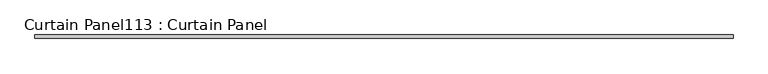
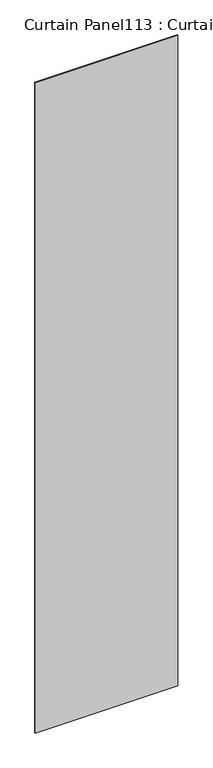
"""IFC4 building model written with IfcOpenShell, lengths in millimetres: plate geometry, Curtain Panel113 : Curtain Panel."""

from ifc_helpers import new_model, si_unit, frame, origin, place, context, project, spatial, polyline, outline, extrude, source, transform, mapped, element, save


def curtain_panel113_curtain_panel_ffac97e2(model_context):
    return source(origin(), model_context, "Body", "SweptSolid", [
        extrude(outline(polyline([(250042.5644282, 2350.9484836), (248754.5386393, 2350.9484836), (248754.5386393, 2357.2984836), (250042.5644282, 2357.2984836), (250042.5644282, 2350.9484836)])), frame((0.0, 0.0, 4914.2249337), z_axis=(0.0, 0.0, 1.0), x_axis=(1.0, 0.0, 0.0)), (0.0, 0.0, 1.0), 6215.2544314),
    ])


if __name__ == "__main__":
    model = new_model("IFC4")
    model_context = context("Model", 3, world=origin())
    ifc_project = project(units=[si_unit("LENGTHUNIT", "METRE", prefix="MILLI")], contexts=[model_context])
    site = spatial("IfcSite", under=ifc_project)
    building = spatial("IfcBuilding", under=site)
    placement = place(None, origin())
    curtain_panel113_curtain_panel_shape = curtain_panel113_curtain_panel_ffac97e2(model_context)
    element("IfcPlate", 1, ObjectType="Curtain Panel113 : Curtain Panel", at=placement, inside=building, context=model_context, shape_type="MappedRepresentation", body=[
        mapped(curtain_panel113_curtain_panel_shape, transform((0.0, 0.0, 0.0), x_axis=(1.0, 0.0, 0.0), y_axis=(0.0, 1.0, 0.0), z_axis=(0.0, 0.0, 1.0))),
    ])
    save(model, "model.ifc")
